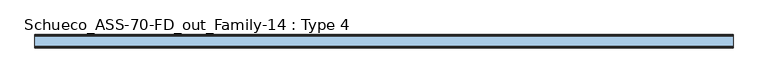
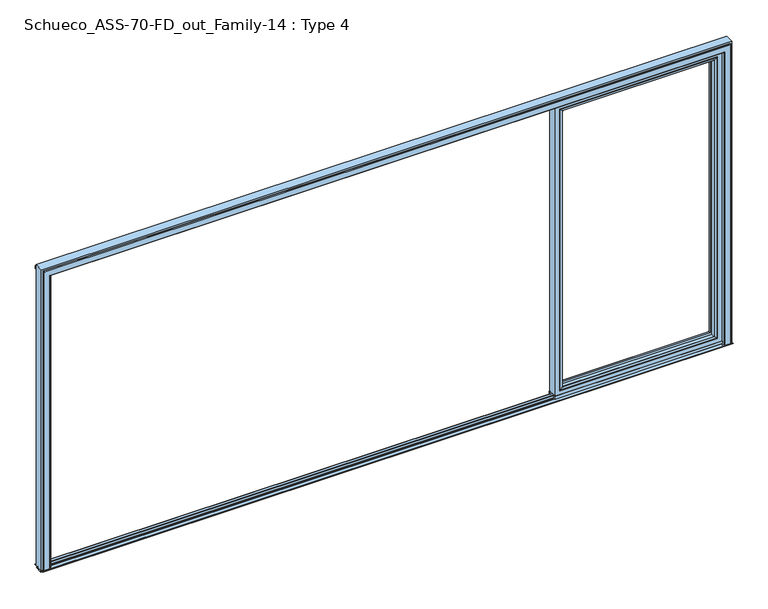
"""IFC4 building model written with IfcOpenShell, lengths in millimetres: window geometry, Schueco_ASS-70-FD_out_Family-14 : Type 4."""

from ifc_helpers import new_model, si_unit, point, frame, frame_2d, origin, place, context, project, spatial, polyline, circle_curve, ellipse_curve, trimmed, segment, composite_curve, outline, extrude, source, transform, mapped, element, save
from ifc_brep_helpers import plane_surface, cylinder_surface, advanced_brep


def schueco_ass_70_fd_out_family_14_type_4_35c8c849(model_context):
    return source(origin(), model_context, "Body", "SolidModel", [
        advanced_brep(
        [(1319.3995728, -64.5552044, 2283.0004272), (1319.3995728, -64.5552044, 91.4995728), (1319.3995728, -37.9928974, 91.4995728), (1319.3995728, -37.9928974, 2283.0004272), (1297.4, -37.9928974, 2305.0), (2480.8, -37.9928974, 2305.0), (2480.8, -37.9928974, 69.5), (1297.4, -37.9928974, 69.5), (2458.8004272, -37.9928974, 2283.0004272), (2458.8004272, -37.9928974, 91.4995728), (2458.8004272, -64.5552044, 91.4995728), (1318.6900293, -65.8045072, 2283.7099707), (1318.6900293, -65.8045072, 90.7900293), (2459.5099707, -65.8045072, 90.7900293), (1303.399939, -70.0, 2299.000061), (1303.399939, -70.0, 75.499939), (2474.800061, -70.0, 75.499939), (2480.8, -70.0, 2305.0), (1297.4, -70.0, 2305.0), (1297.4, -70.0, 69.5), (2480.8, -70.0, 69.5), (2474.800061, -70.0, 2299.000061), (2458.8004272, -64.5552044, 2283.0004272), (2459.5099707, -65.8045072, 2283.7099707)],
        [
            (0, 1),
            (1, 2),
            (2, 3),
            (3, 0),
            (4, 5),
            (5, 6),
            (6, 7),
            (7, 4),
            (8, 3),
            (2, 9),
            (9, 8),
            (1, 10),
            (10, 9),
            (11, 12),
            (12, 1, ellipse_curve(frame((1317.9449688, -64.5552044, 90.0449688), z_axis=(-0.7071067811865475, 0.0, 0.7071067811865475), x_axis=(0.7071067811865474, 0.0, 0.7071067811865476)), 2.0571207, 1.454604)),
            (0, 11, ellipse_curve(frame((1317.9449688, -64.5552044, 2284.4550312), z_axis=(-0.7071067811865475, 0.0, -0.7071067811865475), x_axis=(-0.7071067811865474, 0.0, 0.7071067811865476)), 2.0571207, 1.454604)),
            (12, 13),
            (13, 10, ellipse_curve(frame((2460.2550312, -64.5552044, 90.0449688), z_axis=(-0.7071067811865475, 0.0, -0.7071067811865475), x_axis=(-0.7071067811865476, 0.0, 0.7071067811865474)), 2.0571207, 1.454604)),
            (14, 15),
            (15, 12, ellipse_curve(frame((1303.4638746, -40.2735922, 75.5638746), z_axis=(-0.7071067811865475, 0.0, 0.7071067811865475), x_axis=(0.7071067811865474, 0.0, 0.7071067811865476)), 42.0395863, 29.7264765)),
            (11, 14, ellipse_curve(frame((1303.4638746, -40.2735922, 2298.9361254), z_axis=(-0.7071067811865475, 0.0, -0.7071067811865475), x_axis=(-0.7071067811865474, 0.0, 0.7071067811865476)), 42.0395863, 29.7264765)),
            (15, 16),
            (16, 13, ellipse_curve(frame((2474.7361254, -40.2735922, 75.5638746), z_axis=(-0.7071067811865475, 0.0, -0.7071067811865475), x_axis=(-0.7071067811865476, 0.0, 0.7071067811865474)), 42.0395863, 29.7264765)),
            (17, 18),
            (18, 19),
            (19, 20),
            (20, 17),
            (14, 21),
            (21, 16),
            (7, 19),
            (18, 4),
            (6, 20),
            (10, 22),
            (22, 8),
            (13, 23),
            (23, 22, ellipse_curve(frame((2460.2550312, -64.5552044, 2284.4550312), z_axis=(0.7071067811865475, 0.0, -0.7071067811865475), x_axis=(-0.7071067811865474, 0.0, -0.7071067811865476)), 2.0571207, 1.454604)),
            (21, 23, ellipse_curve(frame((2474.7361254, -40.2735922, 2298.9361254), z_axis=(0.7071067811865475, 0.0, -0.7071067811865475), x_axis=(-0.7071067811865474, 0.0, -0.7071067811865476)), 42.0395863, 29.7264765)),
            (5, 17),
            (22, 0),
            (23, 11),
        ],
        [
            plane_surface(frame((1319.3995728, -37.9928974, 2283.0004272), z_axis=(1.0, 0.0, 0.0), x_axis=(0.0, 0.0, -1.0))),
            plane_surface(frame((2480.8, -37.9928974, 69.5), z_axis=(0.0, 1.0, 0.0), x_axis=(0.0, 0.0, 1.0))),
            plane_surface(frame((1319.3995728, -37.9928974, 91.4995728), z_axis=(0.0, 0.0, 1.0), x_axis=(1.0, 0.0, 0.0))),
            cylinder_surface(frame((1317.9449688, -64.5552044, 2283.0004272), z_axis=(0.0, 0.0, 1.0), x_axis=(-1.0, 0.0, 0.0)), 1.454604),
            cylinder_surface(frame((1319.3995728, -64.5552044, 90.0449688), z_axis=(-1.0, 0.0, 0.0), x_axis=(0.0, 0.0, -1.0)), 1.454604),
            cylinder_surface(frame((1303.4638746, -40.2735922, 2283.0004272), z_axis=(0.0, 0.0, 1.0), x_axis=(-1.0, 0.0, 0.0)), 29.7264765),
            cylinder_surface(frame((1319.3995728, -40.2735922, 75.5638746), z_axis=(-1.0, 0.0, 0.0), x_axis=(0.0, 0.0, -1.0)), 29.7264765),
            plane_surface(frame((2474.800061, -70.0, 75.499939), z_axis=(0.0, -1.0, 0.0), x_axis=(0.0, 0.0, 1.0))),
            plane_surface(frame((1297.4, -70.0, 2305.0), z_axis=(-1.0, 0.0, 0.0), x_axis=(0.0, 0.0, -1.0))),
            plane_surface(frame((1297.4, -70.0, 69.5), z_axis=(0.0, 0.0, -1.0), x_axis=(1.0, 0.0, 0.0))),
            plane_surface(frame((2458.8004272, -37.9928974, 91.4995728), z_axis=(-1.0, 0.0, 0.0), x_axis=(0.0, 0.0, 1.0))),
            cylinder_surface(frame((2460.2550312, -64.5552044, 91.4995728), z_axis=(0.0, 0.0, -1.0), x_axis=(1.0, 0.0, 0.0)), 1.454604),
            cylinder_surface(frame((2474.7361254, -40.2735922, 91.4995728), z_axis=(0.0, 0.0, -1.0), x_axis=(1.0, 0.0, 0.0)), 29.7264765),
            plane_surface(frame((2480.8, -70.0, 69.5), z_axis=(1.0, 0.0, 0.0), x_axis=(0.0, 0.0, 1.0))),
            plane_surface(frame((2458.8004272, -37.9928974, 2283.0004272), z_axis=(0.0, 0.0, -1.0), x_axis=(-1.0, 0.0, 0.0))),
            cylinder_surface(frame((2458.8004272, -64.5552044, 2284.4550312), z_axis=(1.0, 0.0, 0.0), x_axis=(0.0, 0.0, 1.0)), 1.454604),
            cylinder_surface(frame((2458.8004272, -40.2735922, 2298.9361254), z_axis=(1.0, 0.0, 0.0), x_axis=(0.0, 0.0, 1.0)), 29.7264765),
            plane_surface(frame((2480.8, -70.0, 2305.0), z_axis=(0.0, 0.0, 1.0), x_axis=(-1.0, 0.0, 0.0))),
        ],
        [
            (0, [[1, 2, 3, 4]]),
            (1, [[5, 6, 7, 8], [9, -3, 10, 11]]),
            (2, [[12, 13, -10, -2]]),
            (3, [[14, 15, -1, 16]]),
            (4, [[17, 18, -12, -15]]),
            (5, [[19, 20, -14, 21]]),
            (6, [[22, 23, -17, -20]]),
            (7, [[24, 25, 26, 27], [28, 29, -22, -19]]),
            (8, [[-8, 30, -25, 31]]),
            (9, [[-7, 32, -26, -30]]),
            (10, [[33, 34, -11, -13]]),
            (11, [[35, 36, -33, -18]]),
            (12, [[-29, 37, -35, -23]]),
            (13, [[-6, 38, -27, -32]]),
            (14, [[39, -4, -9, -34]]),
            (15, [[40, -16, -39, -36]]),
            (16, [[-28, -21, -40, -37]]),
            (17, [[-5, -31, -24, -38]]),
        ],
    ),
        advanced_brep(
        [(2512.8, -70.0, 2337.0), (2512.8, -70.0, 37.5), (2512.8, 0.0, 37.5), (2512.8, 0.0, 2337.0), (1265.4, -70.0, 37.5), (1265.4, 0.0, 37.5), (1265.4, 0.0, 2337.0), (1314.8991901, 0.0, 86.9991901), (2463.3008099, 0.0, 86.9991901), (2463.3008099, 0.0, 2287.5008099), (1314.8991901, 0.0, 2287.5008099), (1265.4, -70.0, 2337.0), (2480.8, -70.0, 69.5), (1297.4, -70.0, 69.5), (1297.4, -70.0, 2305.0), (2480.8, -70.0, 2305.0), (2480.8, -13.999939, 2305.0), (2480.8, -13.999939, 69.5), (1297.4, -13.999939, 69.5), (1297.4, -13.999939, 2305.0), (2458.8004272, -13.999939, 91.4995728), (1319.3995728, -13.999939, 91.4995728), (1319.3995728, -13.999939, 2283.0004272), (2458.8004272, -13.999939, 2283.0004272), (2458.8004272, -4.5004435, 2283.0004272), (2458.8004272, -4.5004435, 91.4995728), (1319.3995728, -4.5004435, 91.4995728), (1319.3995728, -4.5004435, 2283.0004272)],
        [
            (0, 1),
            (1, 2),
            (2, 3),
            (3, 0),
            (1, 4),
            (4, 5),
            (5, 2),
            (5, 6),
            (6, 3),
            (7, 8),
            (8, 9),
            (9, 10),
            (10, 7),
            (4, 11),
            (11, 6),
            (0, 11),
            (12, 13),
            (13, 14),
            (14, 15),
            (15, 12),
            (16, 17),
            (17, 12),
            (15, 16),
            (17, 18),
            (18, 13),
            (18, 19),
            (19, 14),
            (16, 19),
            (20, 21),
            (21, 22),
            (22, 23),
            (23, 20),
            (24, 25),
            (25, 20),
            (23, 24),
            (25, 26),
            (26, 21),
            (26, 27),
            (27, 22),
            (7, 26, ellipse_curve(frame((1314.8991901, -4.5004435, 86.9991901), z_axis=(0.7071067811865475, 0.0, -0.7071067811865475), x_axis=(0.7071067811865476, 0.0, 0.7071067811865474)), 6.3645023, 4.5003827)),
            (25, 8, ellipse_curve(frame((2463.3008099, -4.5004435, 86.9991901), z_axis=(-0.7071067811865475, 0.0, -0.7071067811865475), x_axis=(0.7071067811865476, 0.0, -0.7071067811865474)), 6.3645023, 4.5003827)),
            (24, 9, ellipse_curve(frame((2463.3008099, -4.5004435, 2287.5008099), z_axis=(0.7071067811865475, 0.0, -0.7071067811865475), x_axis=(0.7071067811865474, 0.0, 0.7071067811865476)), 6.3645023, 4.5003827)),
            (10, 27, ellipse_curve(frame((1314.8991901, -4.5004435, 2287.5008099), z_axis=(-0.7071067811865475, 0.0, -0.7071067811865475), x_axis=(0.7071067811865474, 0.0, -0.7071067811865476)), 6.3645023, 4.5003827)),
            (27, 24),
        ],
        [
            plane_surface(frame((2512.8, 0.0, 2337.0), z_axis=(1.0, 0.0, 0.0), x_axis=(0.0, 0.0, -1.0))),
            plane_surface(frame((2512.8, 0.0, 37.5), z_axis=(0.0, 0.0, -1.0), x_axis=(-1.0, 0.0, 0.0))),
            plane_surface(frame((2463.3008099, 0.0, 2287.5008099), z_axis=(0.0, 1.0, 0.0), x_axis=(0.0, 0.0, -1.0))),
            plane_surface(frame((1265.4, 0.0, 37.5), z_axis=(-1.0, 0.0, 0.0), x_axis=(0.0, 0.0, 1.0))),
            plane_surface(frame((2512.8, -70.0, 2337.0), z_axis=(0.0, -1.0, 0.0), x_axis=(0.0, 0.0, -1.0))),
            plane_surface(frame((2480.8, -70.0, 2305.0), z_axis=(-1.0, 0.0, 0.0), x_axis=(0.0, 0.0, -1.0))),
            plane_surface(frame((2480.8, -70.0, 69.5), z_axis=(0.0, 0.0, 1.0), x_axis=(-1.0, 0.0, 0.0))),
            plane_surface(frame((1297.4, -70.0, 69.5), z_axis=(1.0, 0.0, 0.0), x_axis=(0.0, 0.0, 1.0))),
            plane_surface(frame((2480.8, -13.999939, 2305.0), z_axis=(0.0, -1.0, 0.0), x_axis=(0.0, 0.0, -1.0))),
            plane_surface(frame((2458.8004272, -13.999939, 2283.0004272), z_axis=(-1.0, 0.0, 0.0), x_axis=(0.0, 0.0, -1.0))),
            plane_surface(frame((2458.8004272, -13.999939, 91.4995728), z_axis=(0.0, 0.0, 1.0), x_axis=(-1.0, 0.0, 0.0))),
            plane_surface(frame((1319.3995728, -13.999939, 91.4995728), z_axis=(1.0, 0.0, 0.0), x_axis=(0.0, 0.0, 1.0))),
            cylinder_surface(frame((2518.8, -4.5004435, 86.9991901), z_axis=(1.0, 0.0, 0.0), x_axis=(0.0, -1.0, 0.0)), 4.5003827),
            cylinder_surface(frame((2463.3008099, -4.5004435, 2343.0), z_axis=(0.0, 0.0, 1.0), x_axis=(0.0, -1.0, 0.0)), 4.5003827),
            cylinder_surface(frame((1314.8991901, -4.5004435, 31.5), z_axis=(0.0, 0.0, -1.0), x_axis=(0.0, -1.0, 0.0)), 4.5003827),
            plane_surface(frame((1265.4, 0.0, 2337.0), z_axis=(0.0, 0.0, 1.0), x_axis=(1.0, 0.0, 0.0))),
            plane_surface(frame((1297.4, -70.0, 2305.0), z_axis=(0.0, 0.0, -1.0), x_axis=(1.0, 0.0, 0.0))),
            plane_surface(frame((1319.3995728, -13.999939, 2283.0004272), z_axis=(0.0, 0.0, -1.0), x_axis=(1.0, 0.0, 0.0))),
            cylinder_surface(frame((1259.4, -4.5004435, 2287.5008099), z_axis=(-1.0, 0.0, 0.0), x_axis=(0.0, -1.0, 0.0)), 4.5003827),
        ],
        [
            (0, [[1, 2, 3, 4]]),
            (1, [[5, 6, 7, -2]]),
            (2, [[-7, 8, 9, -3], [10, 11, 12, 13]]),
            (3, [[14, 15, -8, -6]]),
            (4, [[-5, -1, 16, -14], [17, 18, 19, 20]]),
            (5, [[21, 22, -20, 23]]),
            (6, [[24, 25, -17, -22]]),
            (7, [[26, 27, -18, -25]]),
            (8, [[-24, -21, 28, -26], [29, 30, 31, 32]]),
            (9, [[33, 34, -32, 35]]),
            (10, [[36, 37, -29, -34]]),
            (11, [[38, 39, -30, -37]]),
            (12, [[-10, 40, -36, 41]]),
            (13, [[-11, -41, -33, 42]]),
            (14, [[-13, 43, -38, -40]]),
            (15, [[-16, -4, -9, -15]]),
            (16, [[-28, -23, -19, -27]]),
            (17, [[44, -35, -31, -39]]),
            (18, [[-12, -42, -44, -43]]),
        ],
    ),
        extrude(outline(polyline([(2518.8, -7.6000076), (1259.4, -7.6000076), (1259.4, 0.0), (2518.8, 0.0), (2518.8, -7.6000076)])), frame((0.0, 0.0, 15.4995117), z_axis=(0.0, 0.0, 1.0), x_axis=(1.0, 0.0, 0.0)), (0.0, 0.0, 1.0), 22.0004883),
        extrude(outline(polyline([(2518.8, -70.0), (1259.4, -70.0), (1259.4, -62.2757497), (2518.8, -62.2757497), (2518.8, -70.0)])), frame((0.0, 0.0, 15.4995117), z_axis=(0.0, 0.0, 1.0), x_axis=(1.0, 0.0, 0.0)), (0.0, 0.0, 1.0), 22.0004883),
        extrude(outline(composite_curve([segment(polyline([(-17.955674, 2339.1400778), (-1.3636404, 2339.1400778), (0.0, 2342.963961), (0.0, 2348.6420698), (0.8937897, 2348.6420698), (1.8738669, 2344.9939222)]), True, "CONTINUOUS"), segment(trimmed(circle_curve(frame_2d((-0.0576456, 2344.4750201)), 2.0), [point((1.8738669, 2344.9939222))], [point((1.8735116, 2343.9547971))], False, "CARTESIAN"), True, "CONTINUOUS"), segment(polyline([(1.8735116, 2343.9547971), (0.0, 2337.0), (-17.955674, 2337.0), (-17.955674, 2339.1400778)]), True, "CONTINUOUS")], self_intersect=False)), frame((1259.4, 0.0, 0.0), z_axis=(1.0, 0.0, 0.0), x_axis=(0.0, 1.0, 0.0)), (0.0, 0.0, 1.0), 1259.4),
        advanced_brep(
        [(2545.0, -3.5000916, 0.0), (2540.0003662, -3.5000916, 0.0), (2540.0003662, -3.5000916, 2345.0), (2545.0, -3.5000916, 2345.0), (-2530.0000916, -70.0, 0.0), (-2518.8, -70.0, 0.0), (-2518.8, -70.0, 2330.0000916), (-2530.0000916, -70.0, 2330.0000916), (2577.999939, -70.0, 0.0), (2590.0, -70.0, 0.0), (2590.0, -70.0, 2390.0), (-2590.0, -70.0, 2390.0), (-2590.0, -70.0, 0.0), (-2577.999939, -70.0, 0.0), (-2577.999939, -70.0, 2377.999939), (2577.999939, -70.0, 2377.999939), (2518.8, -70.0, 0.0), (2530.0000916, -70.0, 0.0), (2530.0000916, -70.0, 2330.0000916), (2518.8, -70.0, 2330.0000916), (-2540.0003662, -3.5000916, 0.0), (-2545.0, -3.5000916, 0.0), (-2545.0, -3.5000916, 2345.0), (-2540.0003662, -3.5000916, 2345.0), (-2518.8, 0.0, 0.0), (-2518.8, 0.0, 2345.0), (-2518.8, -3.5, 2345.0), (-2518.8, -3.5, 2365.9997864), (-2518.8, -14.1500244, 2365.9997864), (-2518.8, -14.1500244, 2349.000061), (-2518.8, -23.75, 2349.000061), (-2518.8, -23.75, 2365.9997864), (-2518.8, -46.2499161, 2365.9997864), (-2518.8, -46.2499161, 2349.000061), (-2518.8, -55.8498688, 2349.000061), (-2518.8, -55.8498688, 2365.9997864), (-2518.8, -70.0, 2365.9997864), (2518.8, 0.0, 0.0), (2518.8, -70.0, 2365.9997864), (2518.8, -55.8498688, 2365.9997864), (2518.8, -55.8498688, 2349.000061), (2518.8, -46.2499161, 2349.000061), (2518.8, -46.2499161, 2365.9997864), (2518.8, -23.75, 2365.9997864), (2518.8, -23.75, 2349.000061), (2518.8, -14.1500244, 2349.000061), (2518.8, -14.1500244, 2365.9997864), (2518.8, -3.5, 2365.9997864), (2518.8, -3.5, 2345.0), (2518.8, 0.0, 2345.0), (2540.0003662, 0.0, 0.0), (2540.0003662, 0.0, 2345.0), (-2540.0003662, 0.0, 0.0), (-2540.0003662, 0.0, 2345.0), (-2530.0000916, -77.4999847, 0.0), (-2532.5000916, -79.9999847, 0.0), (-2573.499939, -79.9999847, 0.0), (-2577.999939, -75.4999847, 0.0), (-2590.0, 0.0, 0.0), (-2545.0, 0.0, 0.0), (2590.0, 0.0, 0.0), (2545.0, 0.0, 0.0), (2545.0, 0.0, 2345.0), (-2545.0, 0.0, 2345.0), (-2590.0, 0.0, 2390.0), (2590.0, 0.0, 2390.0), (-2530.0000916, -77.4999847, 2330.0000916), (-2532.5000916, -79.9999847, 2332.5000916), (2532.5000916, -79.9999847, 0.0), (2573.499939, -79.9999847, 0.0), (2573.499939, -79.9999847, 2373.499939), (-2573.499939, -79.9999847, 2373.499939), (2532.5000916, -79.9999847, 2332.5000916), (-2577.999939, -75.4999847, 2377.999939), (2577.999939, -75.4999847, 0.0), (2530.0000916, -77.4999847, 0.0), (2577.999939, -75.4999847, 2377.999939), (2530.0000916, -77.4999847, 2330.0000916)],
        [
            (0, 1),
            (1, 2),
            (2, 3),
            (3, 0),
            (4, 5),
            (5, 6),
            (6, 7),
            (7, 4),
            (8, 9),
            (9, 10),
            (10, 11),
            (11, 12),
            (12, 13),
            (13, 14),
            (14, 15),
            (15, 8),
            (16, 17),
            (17, 18),
            (18, 19),
            (19, 16),
            (20, 21),
            (21, 22),
            (22, 23),
            (23, 20),
            (5, 24),
            (24, 25),
            (25, 26),
            (26, 27),
            (27, 28),
            (28, 29),
            (29, 30),
            (30, 31),
            (31, 32),
            (32, 33),
            (33, 34),
            (34, 35),
            (35, 36),
            (36, 6),
            (37, 16),
            (19, 38),
            (38, 39),
            (39, 40),
            (40, 41),
            (41, 42),
            (42, 43),
            (43, 44),
            (44, 45),
            (45, 46),
            (46, 47),
            (47, 48),
            (48, 49),
            (49, 37),
            (1, 50),
            (50, 51),
            (51, 2),
            (52, 20),
            (23, 53),
            (53, 52),
            (52, 24),
            (4, 54),
            (54, 55, circle_curve(frame((-2532.5000916, -77.4999847, 0.0), z_axis=(0.0, 0.0, -1.0), x_axis=(1.0, 0.0, 0.0)), 2.5)),
            (55, 56),
            (56, 57, circle_curve(frame((-2573.499939, -75.4999847, 0.0), z_axis=(0.0, 0.0, -1.0), x_axis=(1.0, 0.0, 0.0)), 4.5)),
            (57, 13),
            (12, 58),
            (58, 59),
            (59, 21),
            (60, 61),
            (61, 62),
            (62, 51),
            (50, 37),
            (49, 25),
            (53, 63),
            (63, 59),
            (58, 64),
            (64, 65),
            (65, 60),
            (7, 66),
            (66, 54),
            (66, 67, ellipse_curve(frame((-2532.5000916, -77.4999847, 2332.5000916), z_axis=(-0.7071067811865475, 0.0, -0.7071067811865475), x_axis=(-0.7071067811865474, 0.0, 0.7071067811865476)), 3.5355339, 2.5)),
            (67, 55),
            (68, 69),
            (69, 70),
            (70, 71),
            (71, 56),
            (67, 72),
            (72, 68),
            (71, 73, ellipse_curve(frame((-2573.499939, -75.4999847, 2373.499939), z_axis=(-0.7071067811865475, 0.0, -0.7071067811865475), x_axis=(-0.7071067811865474, 0.0, 0.7071067811865476)), 6.363961, 4.5)),
            (73, 57),
            (73, 14),
            (11, 64),
            (63, 22),
            (0, 61),
            (60, 9),
            (8, 74),
            (74, 69, circle_curve(frame((2573.499939, -75.4999847, 0.0), z_axis=(0.0, 0.0, -1.0), x_axis=(-1.0, 0.0, 0.0)), 4.5)),
            (68, 75, circle_curve(frame((2532.5000916, -77.4999847, 0.0), z_axis=(0.0, 0.0, -1.0), x_axis=(-1.0, 0.0, 0.0)), 2.5)),
            (75, 17),
            (3, 62),
            (65, 10),
            (15, 76),
            (76, 74),
            (76, 70, ellipse_curve(frame((2573.499939, -75.4999847, 2373.499939), z_axis=(0.7071067811865475, 0.0, -0.7071067811865475), x_axis=(-0.7071067811865474, 0.0, -0.7071067811865476)), 6.363961, 4.5)),
            (72, 77, ellipse_curve(frame((2532.5000916, -77.4999847, 2332.5000916), z_axis=(0.7071067811865475, 0.0, -0.7071067811865475), x_axis=(-0.7071067811865474, 0.0, -0.7071067811865476)), 3.5355339, 2.5)),
            (77, 75),
            (77, 18),
            (19, 6),
            (36, 38),
            (39, 35),
            (34, 40),
            (41, 33),
            (32, 42),
            (43, 31),
            (30, 44),
            (45, 29),
            (28, 46),
            (47, 27),
            (26, 48),
            (73, 76),
            (66, 77),
        ],
        [
            plane_surface(frame((2565.9997864, -3.5000916, 2390.0), z_axis=(0.0, 1.0, 0.0), x_axis=(0.0, 0.0, -1.0))),
            plane_surface(frame((-2565.9997864, -70.0, 2390.0), z_axis=(0.0, -1.0, 0.0), x_axis=(0.0, 0.0, -1.0))),
            plane_surface(frame((-2540.0003662, -3.5000916, 2390.0), z_axis=(0.0, 1.0, 0.0), x_axis=(0.0, 0.0, -1.0))),
            plane_surface(frame((-2518.8, -70.0, 2390.0), z_axis=(1.0, 0.0, 0.0), x_axis=(0.0, 0.0, -1.0))),
            plane_surface(frame((2518.8, 0.0, 2390.0), z_axis=(-1.0, 0.0, 0.0), x_axis=(0.0, 0.0, -1.0))),
            plane_surface(frame((2540.0003662, -3.5000916, 2390.0), z_axis=(1.0, 0.0, 0.0), x_axis=(0.0, 0.0, -1.0))),
            plane_surface(frame((-2540.0003662, 0.0, 2390.0), z_axis=(-1.0, 0.0, 0.0), x_axis=(0.0, 0.0, -1.0))),
            plane_surface(frame((-2590.0, -70.0, 0.0), z_axis=(0.0, 0.0, -1.0), x_axis=(0.0, -1.0, 0.0))),
            plane_surface(frame((-2518.8, 0.0, 2390.0), z_axis=(0.0, 1.0, 0.0), x_axis=(0.0, 0.0, -1.0))),
            plane_surface(frame((-2530.0000916, -77.4999847, 2330.0000916), z_axis=(1.0, 0.0, 0.0), x_axis=(0.0, 0.0, -1.0))),
            cylinder_surface(frame((-2532.5000916, -77.4999847, 2390.0), z_axis=(0.0, 0.0, 1.0), x_axis=(1.0, 0.0, 0.0)), 2.5),
            plane_surface(frame((2573.499939, -79.9999847, 0.0), z_axis=(0.0, -1.0, 0.0), x_axis=(0.0, 0.0, 1.0))),
            cylinder_surface(frame((-2573.499939, -75.4999847, 2390.0), z_axis=(0.0, 0.0, 1.0), x_axis=(1.0, 0.0, 0.0)), 4.5),
            plane_surface(frame((-2577.999939, -70.0, 2377.999939), z_axis=(-1.0, 0.0, 0.0), x_axis=(0.0, 0.0, -1.0))),
            plane_surface(frame((-2590.0, 0.0, 2390.0), z_axis=(-1.0, 0.0, 0.0), x_axis=(0.0, 0.0, -1.0))),
            plane_surface(frame((-2545.0, -3.5, 2345.0), z_axis=(1.0, 0.0, 0.0), x_axis=(0.0, 0.0, -1.0))),
            plane_surface(frame((2590.0, -70.0, 0.0), z_axis=(0.0, 0.0, -1.0), x_axis=(0.0, -1.0, 0.0))),
            plane_surface(frame((2545.0, -3.5, 0.0), z_axis=(-1.0, 0.0, 0.0), x_axis=(0.0, 0.0, 1.0))),
            plane_surface(frame((2590.0, 0.0, 0.0), z_axis=(1.0, 0.0, 0.0), x_axis=(0.0, 0.0, 1.0))),
            plane_surface(frame((2577.999939, -70.0, 0.0), z_axis=(1.0, 0.0, 0.0), x_axis=(0.0, 0.0, 1.0))),
            cylinder_surface(frame((2573.499939, -75.4999847, 0.0), z_axis=(0.0, 0.0, -1.0), x_axis=(-1.0, 0.0, 0.0)), 4.5),
            cylinder_surface(frame((2532.5000916, -77.4999847, 0.0), z_axis=(0.0, 0.0, -1.0), x_axis=(-1.0, 0.0, 0.0)), 2.5),
            plane_surface(frame((2530.0000916, -77.4999847, 0.0), z_axis=(-1.0, 0.0, 0.0), x_axis=(0.0, 0.0, 1.0))),
            plane_surface(frame((-2590.0, -70.0, 2390.0), z_axis=(0.0, 0.0, 1.0), x_axis=(0.0, -1.0, 0.0))),
            plane_surface(frame((2530.0000916, -70.0, 0.0), z_axis=(0.0, 1.0, 0.0), x_axis=(0.0, 0.0, 1.0))),
            plane_surface(frame((2565.9997864, -55.8498688, 0.0), z_axis=(0.0, -1.0, 0.0), x_axis=(0.0, 0.0, 1.0))),
            plane_surface(frame((2549.000061, -46.2499161, 0.0), z_axis=(0.0, 1.0, 0.0), x_axis=(0.0, 0.0, 1.0))),
            plane_surface(frame((2565.9997864, -23.75, 0.0), z_axis=(0.0, -1.0, 0.0), x_axis=(0.0, 0.0, 1.0))),
            plane_surface(frame((2549.000061, -14.1500244, 0.0), z_axis=(0.0, 1.0, 0.0), x_axis=(0.0, 0.0, 1.0))),
            plane_surface(frame((2565.9997864, -3.5, 0.0), z_axis=(0.0, -1.0, 0.0), x_axis=(0.0, 0.0, 1.0))),
            plane_surface(frame((2577.999939, -70.0, 2377.999939), z_axis=(0.0, 0.0, 1.0), x_axis=(-1.0, 0.0, 0.0))),
            cylinder_surface(frame((2590.0, -75.4999847, 2373.499939), z_axis=(1.0, 0.0, 0.0), x_axis=(0.0, 0.0, -1.0)), 4.5),
            cylinder_surface(frame((2590.0, -77.4999847, 2332.5000916), z_axis=(1.0, 0.0, 0.0), x_axis=(0.0, 0.0, -1.0)), 2.5),
            plane_surface(frame((2530.0000916, -77.4999847, 2330.0000916), z_axis=(0.0, 0.0, -1.0), x_axis=(-1.0, 0.0, 0.0))),
            plane_surface(frame((2565.9997864, -70.0, 2365.9997864), z_axis=(0.0, 0.0, -1.0), x_axis=(-1.0, 0.0, 0.0))),
            plane_surface(frame((2549.000061, -55.8498688, 2349.000061), z_axis=(0.0, 0.0, -1.0), x_axis=(-1.0, 0.0, 0.0))),
            plane_surface(frame((2565.9997864, -46.2499161, 2365.9997864), z_axis=(0.0, 0.0, -1.0), x_axis=(-1.0, 0.0, 0.0))),
            plane_surface(frame((2549.000061, -23.75, 2349.000061), z_axis=(0.0, 0.0, -1.0), x_axis=(-1.0, 0.0, 0.0))),
            plane_surface(frame((2565.9997864, -14.1500244, 2365.9997864), z_axis=(0.0, 0.0, -1.0), x_axis=(-1.0, 0.0, 0.0))),
            plane_surface(frame((2545.0, -3.5, 2345.0), z_axis=(0.0, 0.0, -1.0), x_axis=(-1.0, 0.0, 0.0))),
        ],
        [
            (0, [[1, 2, 3, 4]]),
            (1, [[5, 6, 7, 8]]),
            (1, [[9, 10, 11, 12, 13, 14, 15, 16]]),
            (1, [[17, 18, 19, 20]]),
            (2, [[21, 22, 23, 24]]),
            (3, [[25, 26, 27, 28, 29, 30, 31, 32, 33, 34, 35, 36, 37, 38, -6]]),
            (4, [[39, -20, 40, 41, 42, 43, 44, 45, 46, 47, 48, 49, 50, 51, 52]]),
            (5, [[53, 54, 55, -2]]),
            (6, [[56, -24, 57, 58]]),
            (7, [[59, -25, -5, 60, 61, 62, 63, 64, -13, 65, 66, 67, -21, -56]]),
            (8, [[68, 69, 70, -54, 71, -52, 72, -26, -59, -58, 73, 74, -66, 75, 76, 77]]),
            (9, [[-60, -8, 78, 79]]),
            (10, [[-61, -79, 80, 81]]),
            (11, [[82, 83, 84, 85, -62, -81, 86, 87]]),
            (12, [[-63, -85, 88, 89]]),
            (13, [[-64, -89, 90, -14]]),
            (14, [[-65, -12, 91, -75]]),
            (15, [[-67, -74, 92, -22]]),
            (16, [[-53, -1, 93, -68, 94, -9, 95, 96, -82, 97, 98, -17, -39, -71]]),
            (17, [[-93, -4, 99, -69]]),
            (18, [[-94, -77, 100, -10]]),
            (19, [[-95, -16, 101, 102]]),
            (20, [[-96, -102, 103, -83]]),
            (21, [[-97, -87, 104, 105]]),
            (22, [[-98, -105, 106, -18]]),
            (23, [[-100, -76, -91, -11]]),
            (24, [[107, -38, 108, -40]]),
            (25, [[109, -36, 110, -42]]),
            (26, [[111, -34, 112, -44]]),
            (27, [[113, -32, 114, -46]]),
            (28, [[115, -30, 116, -48]]),
            (29, [[117, -28, 118, -50]]),
            (30, [[-101, -15, -90, 119]]),
            (31, [[-103, -119, -88, -84]]),
            (32, [[-86, -80, 120, -104]]),
            (33, [[-106, -120, -78, -7, -107, -19]]),
            (34, [[-108, -37, -109, -41]]),
            (35, [[-111, -43, -110, -35]]),
            (36, [[-113, -45, -112, -33]]),
            (37, [[-115, -47, -114, -31]]),
            (38, [[-117, -49, -116, -29]]),
            (39, [[-72, -51, -118, -27]]),
            (39, [[-99, -3, -55, -70]]),
            (39, [[-92, -73, -57, -23]]),
        ],
    ),
        extrude(outline(polyline([(7.7224991, 2377.8134468), (7.7224991, 2353.0010125), (0.0, 2353.0010125), (0.0, 2382.2763596), (7.7224991, 2377.8134468)])), frame((-2590.0, 0.0, 0.0), z_axis=(1.0, 0.0, 0.0), x_axis=(0.0, 1.0, 0.0)), (0.0, 0.0, 1.0), 5180.0),
        extrude(outline(polyline([(15.0, 1.0391775), (15.0, 0.0), (-6.000061, 0.0), (-6.000061, -12.4999924), (-64.000061, -12.4999924), (-64.000061, 0.0), (-85.0000807, 0.0), (-85.0000807, 1.0392014), (-80.7379205, 3.4999924), (-53.5502106, 3.4999924), (-53.5502106, 7.1000061), (-46.250061, 7.1000061), (-46.250061, -8.6999969), (-23.750061, -8.6999969), (-23.750061, 7.1000061), (-16.4499115, 7.1000061), (-16.4499115, 3.5000076), (10.737772, 3.5000076), (15.0, 1.0391775)])), frame((-2590.0, 0.0, 0.0), z_axis=(1.0, 0.0, 0.0), x_axis=(0.0, 1.0, 0.0)), (0.0, 0.0, 1.0), 5180.0),
    ])


if __name__ == "__main__":
    model = new_model("IFC4")
    model_context = context("Model", 3, world=origin())
    ifc_project = project(units=[si_unit("LENGTHUNIT", "METRE", prefix="MILLI")], contexts=[model_context])
    site = spatial("IfcSite", under=ifc_project)
    building = spatial("IfcBuilding", under=site)
    placement = place(None, origin())
    schueco_ass_70_fd_out_family_14_type_4_shape = schueco_ass_70_fd_out_family_14_type_4_35c8c849(model_context)
    element("IfcWindow", 1, ObjectType="Schueco_ASS-70-FD_out_Family-14 : Type 4", at=placement, inside=building, context=model_context, shape_type="MappedRepresentation", body=[
        mapped(schueco_ass_70_fd_out_family_14_type_4_shape, transform((0.0, 0.0, 0.0), x_axis=(1.0, 0.0, 0.0), y_axis=(0.0, 1.0, 0.0), z_axis=(0.0, 0.0, 1.0))),
    ])
    save(model, "model.ifc")
